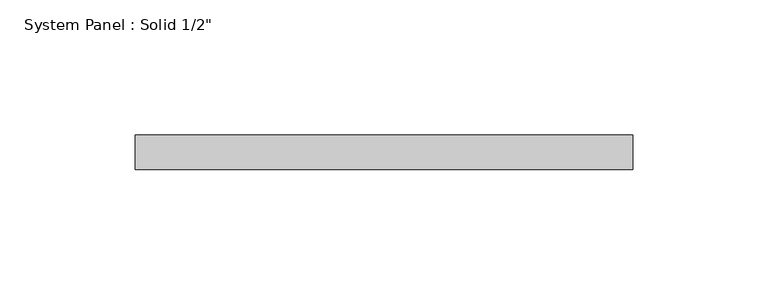
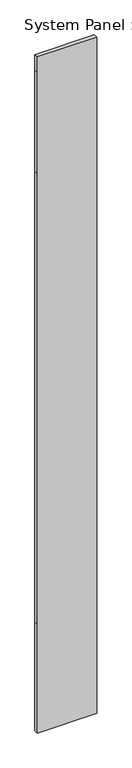
"""IFC4 building model written with IfcOpenShell, lengths in millimetres: plate geometry."""

from ifc_helpers import new_model, si_unit, frame, origin, place, context, project, spatial, polyline, outline, extrude, source, transform, mapped, element, save


def plate_909c1f86(model_context):
    return source(origin(), model_context, "Body", "SweptSolid", [
        extrude(outline(polyline([(0.0, -91.8144102), (0.0, 91.8144102), (355.6, 91.8144102), (1828.8, 91.8144102), (2159.0, 91.8144102), (2209.8, 91.8144102), (2209.8, -91.8144102), (2159.0, -91.8144102), (1828.8, -91.8144102), (355.6, -91.8144102), (0.0, -91.8144102)])), frame((0.0, -6.35, 0.0), z_axis=(0.0, 1.0, 0.0), x_axis=(0.0, 0.0, 1.0)), (0.0, 0.0, 1.0), 12.7),
    ])


if __name__ == "__main__":
    model = new_model("IFC4")
    model_context = context("Model", 3, world=origin())
    ifc_project = project(units=[si_unit("LENGTHUNIT", "METRE", prefix="MILLI")], contexts=[model_context])
    site = spatial("IfcSite", under=ifc_project)
    building = spatial("IfcBuilding", under=site)
    placement = place(None, origin())
    plate_shape = plate_909c1f86(model_context)
    element("IfcPlate", 1, ObjectType="System Panel : Solid 1/2\"", at=placement, inside=building, context=model_context, shape_type="MappedRepresentation", body=[
        mapped(plate_shape, transform((0.0, 0.0, 0.0), x_axis=(1.0, 0.0, 0.0), y_axis=(0.0, 1.0, 0.0), z_axis=(0.0, 0.0, 1.0))),
    ])
    save(model, "model.ifc")
